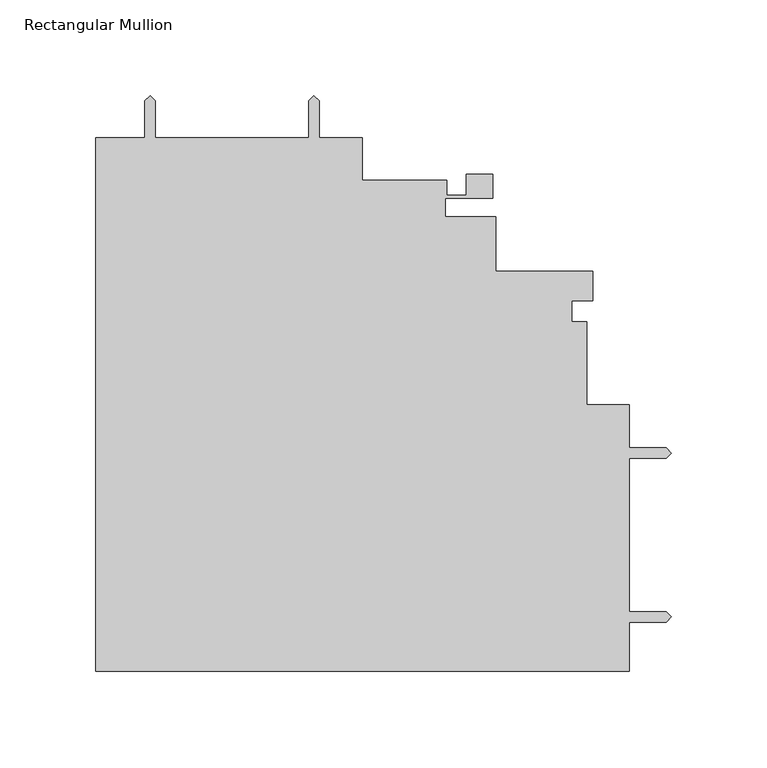
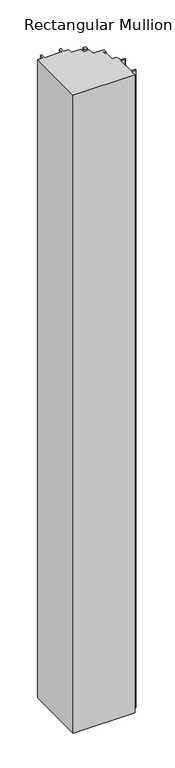
"""IFC4 building model written with IfcOpenShell, lengths in millimetres: member geometry, Rectangular Mullion."""

import ifcopenshell
import ifcopenshell.guid

model = None  # the IFC model being written
_history = None  # IfcOwnerHistory: only IFC2X3 demands one
_inside = {}  # id of a spatial element -> (the spatial element, [elements in it])
_under = {}  # id of a project, library or spatial element -> (it, [spatial elements below it])
_declared = {}  # id of a project -> (the project, [libraries it declares])
_typed = {}  # id of a type object -> (the type object, [elements of that type])
_made_of = {}  # id of a material, layer set ... -> (it, [elements and type objects made of it])


def new_model(schema):
    """Start an empty IFC model of exactly this schema.

    Asked for "IFC4X3", IfcOpenShell would pick the latest addendum, in which some entities
    have other attributes; the version numbers below select the first issue.
    IFC2X3 requires an IfcOwnerHistory on every rooted entity: one is made here for all.
    """
    global model, _history
    if schema == "IFC4X3":
        model = ifcopenshell.file(schema_version=(4, 3, 0, 0))
    else:
        model = ifcopenshell.file(schema=schema)
    _inside.clear()
    _under.clear()
    _declared.clear()
    _typed.clear()
    _made_of.clear()
    _history = None
    if model.schema == "IFC2X3":
        org = make("IfcOrganization", Name="unknown")
        user = make(
            "IfcPersonAndOrganization",
            ThePerson=make("IfcPerson", FamilyName="unknown"),
            TheOrganization=org,
        )
        app = make(
            "IfcApplication",
            ApplicationDeveloper=org,
            Version="unknown",
            ApplicationFullName="unknown",
            ApplicationIdentifier="unknown",
        )
        _history = make(
            "IfcOwnerHistory",
            OwningUser=user,
            OwningApplication=app,
            ChangeAction="ADDED",
            CreationDate=0,
        )
    return model


def make(cls, **values):
    """One entity of the class cls with the attributes given. An attribute that is None is left unset."""
    return model.create_entity(
        cls, **{name: value for name, value in values.items() if value is not None}
    )


def rooted(cls, **values):
    """An entity with a GlobalId (a new one), such as an element, a storey or a relation."""
    return make(cls, GlobalId=ifcopenshell.guid.new(), OwnerHistory=_history, **values)


def si_unit(unit_type, name, prefix=None):
    """IfcSIUnit, for example si_unit("LENGTHUNIT", "METRE", prefix="MILLI")."""
    return make("IfcSIUnit", UnitType=unit_type, Prefix=prefix, Name=name)


def assignment(units):
    """IfcUnitAssignment: the units of a project."""
    return None if units is None else make("IfcUnitAssignment", Units=units)


def point(xyz):
    """IfcCartesianPoint."""
    return None if xyz is None else make("IfcCartesianPoint", Coordinates=xyz)


def direction(xyz):
    """IfcDirection."""
    return None if xyz is None else make("IfcDirection", DirectionRatios=xyz)


def frame(location, z_axis=None, x_axis=None):
    """IfcAxis2Placement3D, a coordinate frame: its origin and axes. An axis left out is left unset."""
    return make(
        "IfcAxis2Placement3D",
        Location=point(location),
        Axis=direction(z_axis),
        RefDirection=direction(x_axis),
    )


def origin():
    """The frame at (0, 0, 0) with its axes left unset."""
    return frame((0.0, 0.0, 0.0))


def place(relative_to, where):
    """IfcLocalPlacement: puts the frame where relative to a parent placement (None: the world)."""
    return make(
        "IfcLocalPlacement", PlacementRelTo=relative_to, RelativePlacement=where
    )


def context(
    kind, dimensions, precision=None, world=None, true_north=None, identifier=None
):
    """IfcGeometricRepresentationContext, for example the 3D "Model" context."""
    return make(
        "IfcGeometricRepresentationContext",
        ContextIdentifier=identifier,
        ContextType=kind,
        CoordinateSpaceDimension=dimensions,
        Precision=precision,
        WorldCoordinateSystem=world,
        TrueNorth=true_north,
    )


def project(units=None, contexts=None):
    """IfcProject with its units and contexts."""
    return rooted(
        "IfcProject",
        Name="project",
        RepresentationContexts=contexts,
        UnitsInContext=assignment(units),
    )


def spatial(cls, under=None, at=None, **own):
    """A site, building, storey or space (cls), placed at a placement, below another one or the project."""
    s = rooted(cls, ObjectPlacement=at, **own)
    if under is not None:
        _under.setdefault(under.id(), (under, []))[1].append(s)
    return s


def polyline(points):
    """IfcPolyline through the points."""
    return make("IfcPolyline", Points=[point(p) for p in points])


def outline(outer, holes=None, kind="AREA"):
    """IfcArbitraryClosedProfileDef: a profile drawn as a closed curve; with holes, ...WithVoids."""
    if holes is None:
        return make("IfcArbitraryClosedProfileDef", ProfileType=kind, OuterCurve=outer)
    return make(
        "IfcArbitraryProfileDefWithVoids",
        ProfileType=kind,
        OuterCurve=outer,
        InnerCurves=holes,
    )


def extrude(swept, where, along, depth):
    """IfcExtrudedAreaSolid: the profile swept, set in the frame where, extruded along a direction by depth."""
    return make(
        "IfcExtrudedAreaSolid",
        SweptArea=swept,
        Position=where,
        ExtrudedDirection=direction(along),
        Depth=depth,
    )


def shape(context_of_items, identifier, shape_type, items):
    """IfcShapeRepresentation: the items that make up one representation, for example the "Body"."""
    return make(
        "IfcShapeRepresentation",
        ContextOfItems=context_of_items,
        RepresentationIdentifier=identifier,
        RepresentationType=shape_type,
        Items=items,
    )


def source(mapping_origin, context_of_items, identifier, shape_type, items):
    """IfcRepresentationMap: a shape defined once, which mapped items show again and again."""
    return make(
        "IfcRepresentationMap",
        MappingOrigin=mapping_origin,
        MappedRepresentation=shape(context_of_items, identifier, shape_type, items),
    )


def transform(
    local_origin,
    x_axis=None,
    y_axis=None,
    z_axis=None,
    scale=None,
    scale2=None,
    scale3=None,
    uniform=True,
):
    """IfcCartesianTransformationOperator3D, or its non-uniform kind. x_axis, y_axis, z_axis: its Axis1, 2, 3."""
    if uniform:
        return make(
            "IfcCartesianTransformationOperator3D",
            Axis1=direction(x_axis),
            Axis2=direction(y_axis),
            LocalOrigin=point(local_origin),
            Scale=scale,
            Axis3=direction(z_axis),
        )
    return make(
        "IfcCartesianTransformationOperator3DnonUniform",
        Axis1=direction(x_axis),
        Axis2=direction(y_axis),
        LocalOrigin=point(local_origin),
        Scale=scale,
        Axis3=direction(z_axis),
        Scale2=scale2,
        Scale3=scale3,
    )


def mapped(mapping_source, mapping_target):
    """IfcMappedItem: shows the shape of a source again, moved by a transform."""
    return make(
        "IfcMappedItem", MappingSource=mapping_source, MappingTarget=mapping_target
    )


def made_of(thing, what):
    """Note that an element or type object is made of a material, layer set ...; save() writes the relation."""
    if what is not None:
        _made_of.setdefault(what.id(), (what, []))[1].append(thing)
    return thing


def element(
    cls,
    number,
    at=None,
    inside=None,
    cuts=None,
    type_object=None,
    material=None,
    context=None,
    identifier="Body",
    shape_type=None,
    held_by="IfcProductDefinitionShape",
    body=None,
    shapes=None,
    **own,
):
    """One element of the class cls, such as IfcWall. Its Tag is "e" and its number.

    at: its placement. inside: the storey or other place that contains it. cuts: it is an
    opening in that element (IfcRelVoidsElement). A single representation is given by context,
    identifier, shape_type and body (its items); several are given by shapes. held_by: the class
    of the entity that holds the representations. save() writes the other relations.
    """
    e = rooted(cls, Tag="e%d" % number, ObjectPlacement=at, **own)
    if body is not None:
        shapes = [shape(context, identifier, shape_type, body)]
    if shapes is not None:
        e.Representation = make(held_by, Representations=shapes)
    if inside is not None:
        _inside.setdefault(inside.id(), (inside, []))[1].append(e)
    if cuts is not None:
        rooted(
            "IfcRelVoidsElement", RelatingBuildingElement=cuts, RelatedOpeningElement=e
        )
    if type_object is not None:
        _typed.setdefault(type_object.id(), (type_object, []))[1].append(e)
    return made_of(e, material)


def aggregate(whole, parts):
    """IfcRelAggregates: a whole, such as a stair, and the parts it consists of."""
    return rooted("IfcRelAggregates", RelatingObject=whole, RelatedObjects=parts)


def save(model, path):
    """Write the relations noted so far, then the file.

    IfcRelAggregates (storeys below a building ...), IfcRelContainedInSpatialStructure (elements
    in a storey), IfcRelDefinesByType, IfcRelAssociatesMaterial and IfcRelDeclares: one each for
    every whole, place, type object, material and project.
    """
    for whole, parts in _under.values():
        aggregate(whole, parts)
    for where, things in _inside.values():
        rooted(
            "IfcRelContainedInSpatialStructure",
            RelatedElements=things,
            RelatingStructure=where,
        )
    for kind, things in _typed.values():
        rooted("IfcRelDefinesByType", RelatedObjects=things, RelatingType=kind)
    for what, things in _made_of.values():
        rooted("IfcRelAssociatesMaterial", RelatedObjects=things, RelatingMaterial=what)
    for by, libraries in _declared.values():
        rooted("IfcRelDeclares", RelatingContext=by, RelatedDefinitions=libraries)
    model.write(path)


def rectangular_mullion_1a4f5772(model_context):
    return source(origin(), model_context, "Body", "SweptSolid", [
        extrude(outline(polyline([(-22.0979422, -92.3503826), (-301.4979298, -92.3503826), (-301.4979298, 187.0496191), (-275.6661273, 187.0496191), (-275.6661273, 206.404357), (-272.9229355, 209.1475487), (-270.1797298, 206.4043429), (-270.1797298, 187.0496191), (-189.9411323, 187.0496191), (-189.9411323, 206.4043562), (-187.1979205, 209.147568), (-184.4547348, 206.4043429), (-184.4547348, 187.0496131), (-161.9600796, 187.0496131), (-161.9600796, 164.8247324), (-117.5100796, 164.8247324), (-117.5100796, 156.8871191), (-107.3316627, 156.8871191), (-107.3316627, 167.9996191), (-93.5481404, 167.9996191), (-93.5481404, 155.2996191), (-118.4393224, 155.2996191), (-118.3956677, 145.7745041), (-91.9479422, 145.7745041), (-91.9479422, 117.1996174), (-41.1479422, 117.1996174), (-41.1479422, 101.8326174), (-52.2604422, 101.8326174), (-52.2604422, 90.715511), (-44.322829, 90.75189), (-44.322829, 47.35219), (-22.0979422, 47.35219), (-22.0979422, 24.6928229), (-2.7432184, 24.6928229), (0.0, 21.9496439), (-2.7432184, 19.2064255), (-22.0979422, 19.2064255), (-22.0979422, -61.0321721), (-2.7432184, -61.0321721), (0.0, -63.7753511), (-2.7432184, -66.5185695), (-22.0979422, -66.5185695), (-22.0979422, -92.3503826)])), frame((0.0, 0.0, -3048.0), z_axis=(0.0, 0.0, 1.0), x_axis=(1.0, 0.0, 0.0)), (0.0, 0.0, 1.0), 3048.0),
    ])


if __name__ == "__main__":
    model = new_model("IFC4")
    model_context = context("Model", 3, world=origin())
    ifc_project = project(units=[si_unit("LENGTHUNIT", "METRE", prefix="MILLI")], contexts=[model_context])
    site = spatial("IfcSite", under=ifc_project)
    building = spatial("IfcBuilding", under=site)
    placement = place(None, origin())
    rectangular_mullion_shape = rectangular_mullion_1a4f5772(model_context)
    element("IfcMember", 1, ObjectType="Rectangular Mullion", at=placement, inside=building, context=model_context, shape_type="MappedRepresentation", body=[
        mapped(rectangular_mullion_shape, transform((0.0, 0.0, 0.0), x_axis=(1.0, 0.0, 0.0), y_axis=(0.0, 1.0, 0.0), z_axis=(0.0, 0.0, 1.0))),
    ])
    save(model, "model.ifc")
